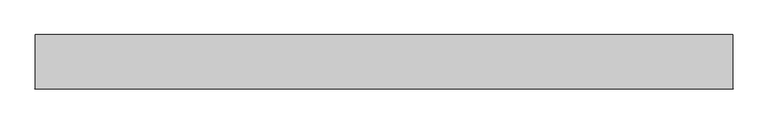
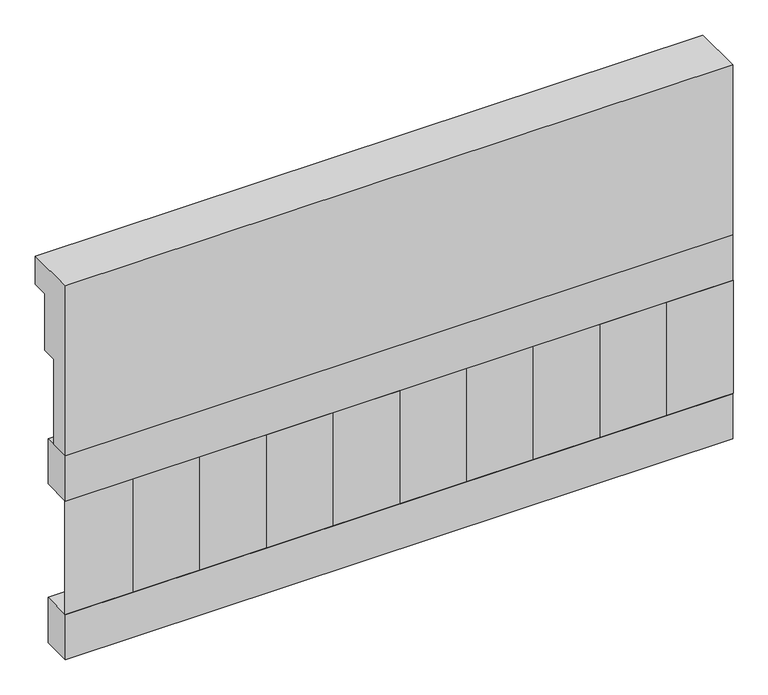
"""IFC4 building model written with IfcOpenShell, lengths in millimetres: railing geometry."""

import ifcopenshell
import ifcopenshell.guid

model = None  # the IFC model being written
_history = None  # IfcOwnerHistory: only IFC2X3 demands one
_inside = {}  # id of a spatial element -> (the spatial element, [elements in it])
_under = {}  # id of a project, library or spatial element -> (it, [spatial elements below it])
_declared = {}  # id of a project -> (the project, [libraries it declares])
_typed = {}  # id of a type object -> (the type object, [elements of that type])
_made_of = {}  # id of a material, layer set ... -> (it, [elements and type objects made of it])


def new_model(schema):
    """Start an empty IFC model of exactly this schema.

    Asked for "IFC4X3", IfcOpenShell would pick the latest addendum, in which some entities
    have other attributes; the version numbers below select the first issue.
    IFC2X3 requires an IfcOwnerHistory on every rooted entity: one is made here for all.
    """
    global model, _history
    if schema == "IFC4X3":
        model = ifcopenshell.file(schema_version=(4, 3, 0, 0))
    else:
        model = ifcopenshell.file(schema=schema)
    _inside.clear()
    _under.clear()
    _declared.clear()
    _typed.clear()
    _made_of.clear()
    _history = None
    if model.schema == "IFC2X3":
        org = make("IfcOrganization", Name="unknown")
        user = make(
            "IfcPersonAndOrganization",
            ThePerson=make("IfcPerson", FamilyName="unknown"),
            TheOrganization=org,
        )
        app = make(
            "IfcApplication",
            ApplicationDeveloper=org,
            Version="unknown",
            ApplicationFullName="unknown",
            ApplicationIdentifier="unknown",
        )
        _history = make(
            "IfcOwnerHistory",
            OwningUser=user,
            OwningApplication=app,
            ChangeAction="ADDED",
            CreationDate=0,
        )
    return model


def make(cls, **values):
    """One entity of the class cls with the attributes given. An attribute that is None is left unset."""
    return model.create_entity(
        cls, **{name: value for name, value in values.items() if value is not None}
    )


def rooted(cls, **values):
    """An entity with a GlobalId (a new one), such as an element, a storey or a relation."""
    return make(cls, GlobalId=ifcopenshell.guid.new(), OwnerHistory=_history, **values)


def si_unit(unit_type, name, prefix=None):
    """IfcSIUnit, for example si_unit("LENGTHUNIT", "METRE", prefix="MILLI")."""
    return make("IfcSIUnit", UnitType=unit_type, Prefix=prefix, Name=name)


def assignment(units):
    """IfcUnitAssignment: the units of a project."""
    return None if units is None else make("IfcUnitAssignment", Units=units)


def point(xyz):
    """IfcCartesianPoint."""
    return None if xyz is None else make("IfcCartesianPoint", Coordinates=xyz)


def direction(xyz):
    """IfcDirection."""
    return None if xyz is None else make("IfcDirection", DirectionRatios=xyz)


def frame(location, z_axis=None, x_axis=None):
    """IfcAxis2Placement3D, a coordinate frame: its origin and axes. An axis left out is left unset."""
    return make(
        "IfcAxis2Placement3D",
        Location=point(location),
        Axis=direction(z_axis),
        RefDirection=direction(x_axis),
    )


def origin():
    """The frame at (0, 0, 0) with its axes left unset."""
    return frame((0.0, 0.0, 0.0))


def place(relative_to, where):
    """IfcLocalPlacement: puts the frame where relative to a parent placement (None: the world)."""
    return make(
        "IfcLocalPlacement", PlacementRelTo=relative_to, RelativePlacement=where
    )


def context(
    kind, dimensions, precision=None, world=None, true_north=None, identifier=None
):
    """IfcGeometricRepresentationContext, for example the 3D "Model" context."""
    return make(
        "IfcGeometricRepresentationContext",
        ContextIdentifier=identifier,
        ContextType=kind,
        CoordinateSpaceDimension=dimensions,
        Precision=precision,
        WorldCoordinateSystem=world,
        TrueNorth=true_north,
    )


def project(units=None, contexts=None):
    """IfcProject with its units and contexts."""
    return rooted(
        "IfcProject",
        Name="project",
        RepresentationContexts=contexts,
        UnitsInContext=assignment(units),
    )


def spatial(cls, under=None, at=None, **own):
    """A site, building, storey or space (cls), placed at a placement, below another one or the project."""
    s = rooted(cls, ObjectPlacement=at, **own)
    if under is not None:
        _under.setdefault(under.id(), (under, []))[1].append(s)
    return s


def polyline(points):
    """IfcPolyline through the points."""
    return make("IfcPolyline", Points=[point(p) for p in points])


def outline(outer, holes=None, kind="AREA"):
    """IfcArbitraryClosedProfileDef: a profile drawn as a closed curve; with holes, ...WithVoids."""
    if holes is None:
        return make("IfcArbitraryClosedProfileDef", ProfileType=kind, OuterCurve=outer)
    return make(
        "IfcArbitraryProfileDefWithVoids",
        ProfileType=kind,
        OuterCurve=outer,
        InnerCurves=holes,
    )


def extrude(swept, where, along, depth):
    """IfcExtrudedAreaSolid: the profile swept, set in the frame where, extruded along a direction by depth."""
    return make(
        "IfcExtrudedAreaSolid",
        SweptArea=swept,
        Position=where,
        ExtrudedDirection=direction(along),
        Depth=depth,
    )


def shape(context_of_items, identifier, shape_type, items):
    """IfcShapeRepresentation: the items that make up one representation, for example the "Body"."""
    return make(
        "IfcShapeRepresentation",
        ContextOfItems=context_of_items,
        RepresentationIdentifier=identifier,
        RepresentationType=shape_type,
        Items=items,
    )


def source(mapping_origin, context_of_items, identifier, shape_type, items):
    """IfcRepresentationMap: a shape defined once, which mapped items show again and again."""
    return make(
        "IfcRepresentationMap",
        MappingOrigin=mapping_origin,
        MappedRepresentation=shape(context_of_items, identifier, shape_type, items),
    )


def transform(
    local_origin,
    x_axis=None,
    y_axis=None,
    z_axis=None,
    scale=None,
    scale2=None,
    scale3=None,
    uniform=True,
):
    """IfcCartesianTransformationOperator3D, or its non-uniform kind. x_axis, y_axis, z_axis: its Axis1, 2, 3."""
    if uniform:
        return make(
            "IfcCartesianTransformationOperator3D",
            Axis1=direction(x_axis),
            Axis2=direction(y_axis),
            LocalOrigin=point(local_origin),
            Scale=scale,
            Axis3=direction(z_axis),
        )
    return make(
        "IfcCartesianTransformationOperator3DnonUniform",
        Axis1=direction(x_axis),
        Axis2=direction(y_axis),
        LocalOrigin=point(local_origin),
        Scale=scale,
        Axis3=direction(z_axis),
        Scale2=scale2,
        Scale3=scale3,
    )


def mapped(mapping_source, mapping_target):
    """IfcMappedItem: shows the shape of a source again, moved by a transform."""
    return make(
        "IfcMappedItem", MappingSource=mapping_source, MappingTarget=mapping_target
    )


def made_of(thing, what):
    """Note that an element or type object is made of a material, layer set ...; save() writes the relation."""
    if what is not None:
        _made_of.setdefault(what.id(), (what, []))[1].append(thing)
    return thing


def element(
    cls,
    number,
    at=None,
    inside=None,
    cuts=None,
    type_object=None,
    material=None,
    context=None,
    identifier="Body",
    shape_type=None,
    held_by="IfcProductDefinitionShape",
    body=None,
    shapes=None,
    **own,
):
    """One element of the class cls, such as IfcWall. Its Tag is "e" and its number.

    at: its placement. inside: the storey or other place that contains it. cuts: it is an
    opening in that element (IfcRelVoidsElement). A single representation is given by context,
    identifier, shape_type and body (its items); several are given by shapes. held_by: the class
    of the entity that holds the representations. save() writes the other relations.
    """
    e = rooted(cls, Tag="e%d" % number, ObjectPlacement=at, **own)
    if body is not None:
        shapes = [shape(context, identifier, shape_type, body)]
    if shapes is not None:
        e.Representation = make(held_by, Representations=shapes)
    if inside is not None:
        _inside.setdefault(inside.id(), (inside, []))[1].append(e)
    if cuts is not None:
        rooted(
            "IfcRelVoidsElement", RelatingBuildingElement=cuts, RelatedOpeningElement=e
        )
    if type_object is not None:
        _typed.setdefault(type_object.id(), (type_object, []))[1].append(e)
    return made_of(e, material)


def aggregate(whole, parts):
    """IfcRelAggregates: a whole, such as a stair, and the parts it consists of."""
    return rooted("IfcRelAggregates", RelatingObject=whole, RelatedObjects=parts)


def save(model, path):
    """Write the relations noted so far, then the file.

    IfcRelAggregates (storeys below a building ...), IfcRelContainedInSpatialStructure (elements
    in a storey), IfcRelDefinesByType, IfcRelAssociatesMaterial and IfcRelDeclares: one each for
    every whole, place, type object, material and project.
    """
    for whole, parts in _under.values():
        aggregate(whole, parts)
    for where, things in _inside.values():
        rooted(
            "IfcRelContainedInSpatialStructure",
            RelatedElements=things,
            RelatingStructure=where,
        )
    for kind, things in _typed.values():
        rooted("IfcRelDefinesByType", RelatedObjects=things, RelatingType=kind)
    for what, things in _made_of.values():
        rooted("IfcRelAssociatesMaterial", RelatedObjects=things, RelatingMaterial=what)
    for by, libraries in _declared.values():
        rooted("IfcRelDeclares", RelatingContext=by, RelatedDefinitions=libraries)
    model.write(path)


def railing_4963da19(model_context):
    return source(origin(), model_context, "Body", "SweptSolid", [
        extrude(outline(polyline([(903.1079487, 28400.0), (1033.1079487, 28400.0), (1033.1079487, 28325.0), (993.1079487, 28325.0), (993.1079487, 28175.0), (953.1079487, 28175.0), (953.1079487, 27950.0), (903.1079487, 27950.0), (903.1079487, 28400.0)])), frame((-26239.9887159, 0.0, 0.0), z_axis=(1.0, 0.0, 0.0), x_axis=(0.0, 1.0, 0.0)), (0.0, 0.0, 1.0), 1670.0),
        extrude(outline(polyline([(-24569.9887159, 978.1079487), (-24569.9887159, 903.1079487), (-26239.9887159, 903.1079487), (-26239.9887159, 978.1079487), (-24569.9887159, 978.1079487)])), frame((0.0, 0.0, 27830.0), z_axis=(0.0, 0.0, 1.0), x_axis=(1.0, 0.0, 0.0)), (0.0, 0.0, 1.0), 120.0),
        extrude(outline(polyline([(-24569.9887159, 978.1079487), (-24569.9887159, 903.1079487), (-26239.9887159, 903.1079487), (-26239.9887159, 978.1079487), (-24569.9887159, 978.1079487)])), frame((0.0, 0.0, 27410.0), z_axis=(0.0, 0.0, 1.0), x_axis=(1.0, 0.0, 0.0)), (0.0, 0.0, 1.0), 120.0),
        extrude(outline(polyline([(-26156.4887159, 987.9607624), (-26071.6359022, 903.1079487), (-26241.3415296, 903.1079487), (-26156.4887159, 987.9607624)])), frame((0.0, 0.0, 27530.0), z_axis=(0.0, 0.0, 1.0), x_axis=(1.0, 0.0, 0.0)), (0.0, 0.0, 1.0), 300.0),
        extrude(outline(polyline([(-25989.4887159, 987.9607624), (-25904.6359022, 903.1079487), (-26074.3415296, 903.1079487), (-25989.4887159, 987.9607624)])), frame((0.0, 0.0, 27530.0), z_axis=(0.0, 0.0, 1.0), x_axis=(1.0, 0.0, 0.0)), (0.0, 0.0, 1.0), 300.0),
        extrude(outline(polyline([(-25822.4887159, 987.9607624), (-25737.6359022, 903.1079487), (-25907.3415296, 903.1079487), (-25822.4887159, 987.9607624)])), frame((0.0, 0.0, 27530.0), z_axis=(0.0, 0.0, 1.0), x_axis=(1.0, 0.0, 0.0)), (0.0, 0.0, 1.0), 300.0),
        extrude(outline(polyline([(-25655.4887159, 987.9607624), (-25570.6359022, 903.1079487), (-25740.3415296, 903.1079487), (-25655.4887159, 987.9607624)])), frame((0.0, 0.0, 27530.0), z_axis=(0.0, 0.0, 1.0), x_axis=(1.0, 0.0, 0.0)), (0.0, 0.0, 1.0), 300.0),
        extrude(outline(polyline([(-25488.4887159, 987.9607624), (-25403.6359022, 903.1079487), (-25573.3415296, 903.1079487), (-25488.4887159, 987.9607624)])), frame((0.0, 0.0, 27530.0), z_axis=(0.0, 0.0, 1.0), x_axis=(1.0, 0.0, 0.0)), (0.0, 0.0, 1.0), 300.0),
        extrude(outline(polyline([(-25321.4887159, 987.9607624), (-25236.6359022, 903.1079487), (-25406.3415296, 903.1079487), (-25321.4887159, 987.9607624)])), frame((0.0, 0.0, 27530.0), z_axis=(0.0, 0.0, 1.0), x_axis=(1.0, 0.0, 0.0)), (0.0, 0.0, 1.0), 300.0),
        extrude(outline(polyline([(-25154.4887159, 987.9607624), (-25069.6359022, 903.1079487), (-25239.3415296, 903.1079487), (-25154.4887159, 987.9607624)])), frame((0.0, 0.0, 27530.0), z_axis=(0.0, 0.0, 1.0), x_axis=(1.0, 0.0, 0.0)), (0.0, 0.0, 1.0), 300.0),
        extrude(outline(polyline([(-24987.4887159, 987.9607624), (-24902.6359022, 903.1079487), (-25072.3415296, 903.1079487), (-24987.4887159, 987.9607624)])), frame((0.0, 0.0, 27530.0), z_axis=(0.0, 0.0, 1.0), x_axis=(1.0, 0.0, 0.0)), (0.0, 0.0, 1.0), 300.0),
        extrude(outline(polyline([(-24820.4887159, 987.9607624), (-24735.6359022, 903.1079487), (-24905.3415296, 903.1079487), (-24820.4887159, 987.9607624)])), frame((0.0, 0.0, 27530.0), z_axis=(0.0, 0.0, 1.0), x_axis=(1.0, 0.0, 0.0)), (0.0, 0.0, 1.0), 300.0),
        extrude(outline(polyline([(-24653.4887159, 987.9607624), (-24568.6359022, 903.1079487), (-24738.3415296, 903.1079487), (-24653.4887159, 987.9607624)])), frame((0.0, 0.0, 27530.0), z_axis=(0.0, 0.0, 1.0), x_axis=(1.0, 0.0, 0.0)), (0.0, 0.0, 1.0), 300.0),
    ])


if __name__ == "__main__":
    model = new_model("IFC4")
    model_context = context("Model", 3, world=origin())
    ifc_project = project(units=[si_unit("LENGTHUNIT", "METRE", prefix="MILLI")], contexts=[model_context])
    site = spatial("IfcSite", under=ifc_project)
    building = spatial("IfcBuilding", under=site)
    placement = place(None, origin())
    railing_shape = railing_4963da19(model_context)
    element("IfcRailing", 1, at=placement, inside=building, context=model_context, shape_type="MappedRepresentation", body=[
        mapped(railing_shape, transform((0.0, 0.0, 0.0), x_axis=(1.0, 0.0, 0.0), y_axis=(0.0, 1.0, 0.0), z_axis=(0.0, 0.0, 1.0))),
    ])
    save(model, "model.ifc")
